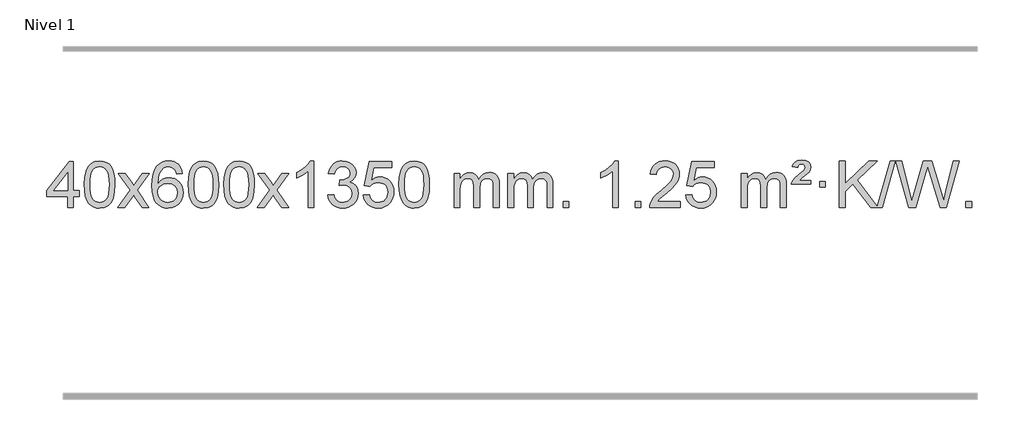
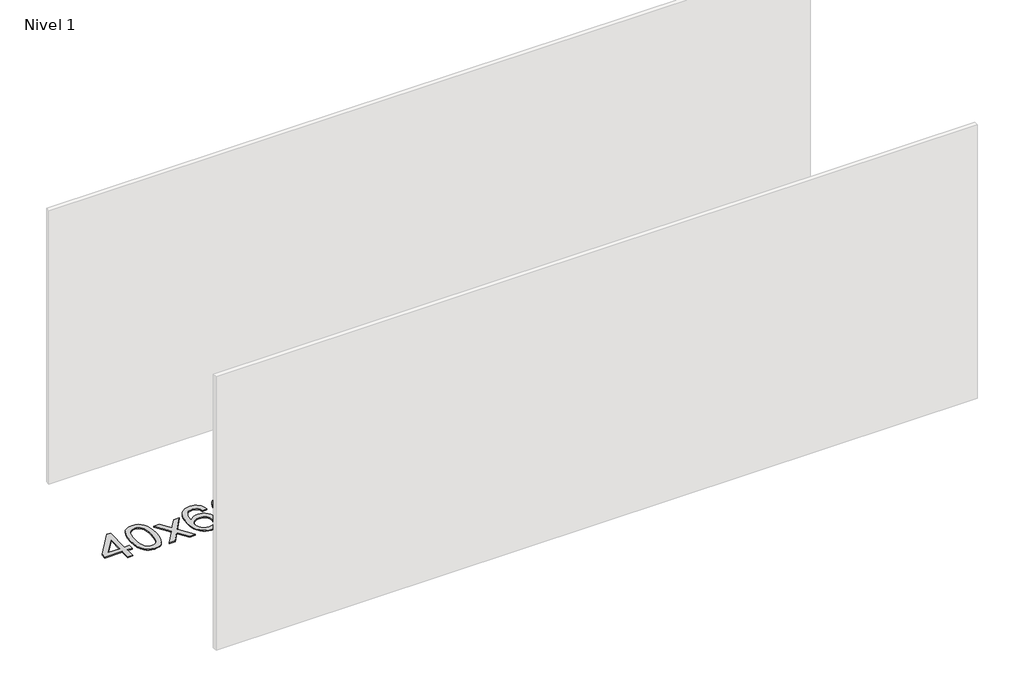
# One storey, part 10 of 10: 1 proxy.
"""IFC4 building model written with IfcOpenShell, lengths in millimetres."""

from ifc_helpers import new_model, si_unit, origin, origin_with_axes, place, context, project, spatial, polyline, outline, extrude, element, save

model = new_model("IFC4")

# Units and contexts
model_context = context("Model", 3, world=origin())
ifc_project = project(units=[si_unit("LENGTHUNIT", "METRE", prefix="MILLI")], contexts=[model_context])

# Site, building, storey
site = spatial("IfcSite", under=ifc_project)
building = spatial("IfcBuilding", under=site)
storey = spatial("IfcBuildingStorey", under=building, Name="Nivel 1", Elevation=0.0)

# Proxy
placement = place(None, origin())
element("IfcBuildingElementProxy", 1, Name="Texto de modelo 1", ObjectType="Texto de modelo 1", at=placement, inside=storey, context=model_context, shape_type="SweptSolid", body=[
    extrude(outline(polyline([(-192.9282065, 2608.420547), (-192.9282065, 2702.5983378), (-375.0052686, 2702.5983378), (-375.0052686, 2752.8264928), (-180.3711677, 3003.9672682), (-142.7000514, 3003.9672682), (-142.7000514, 2752.8264928), (-92.4718963, 2752.8264928), (-92.4718963, 2702.5983378), (-142.7000514, 2702.5983378), (-142.7000514, 2608.420547), (-192.9282065, 2608.420547)]), holes=[polyline([(-192.9282065, 2752.8264928), (-192.9282065, 2908.0236439), (-313.2010934, 2752.8264928), (-192.9282065, 2752.8264928)])]), origin_with_axes(), (0.0, 0.0, 1.0), 10.0),
    extrude(outline(polyline([(-48.5222606, 2806.0958057), (-44.8311779, 2870.4138412), (-33.7579299, 2921.7088541), (-15.4128811, 2960.7656593), (-3.5548181, 2975.9990395), (10.0936039, 2988.3690716), (25.5783702, 2997.9401349), (42.9454661, 3004.7766086), (83.3266464, 3010.2457876), (114.277785, 3007.008426), (141.9915619, 2997.2963414), (165.1681276, 2981.4896783), (182.5076323, 2959.9685816), (195.6042314, 2932.9169922), (206.05208, 2900.5188512), (212.8946851, 2859.3773814), (215.1755535, 2806.0958057), (211.521259, 2742.1456523), (200.5583756, 2690.9732667), (182.3236913, 2651.8796734), (170.4932195, 2636.6003078), (156.8539945, 2624.1658964), (141.3508341, 2614.5304538), (123.928556, 2607.6479948), (83.3266464, 2602.1420276), (55.6619204, 2604.5332606), (31.1364541, 2611.7069595), (9.7502474, 2623.6631243), (-8.4966996, 2640.4017551), (-26.0078825, 2670.6600492), (-38.5158704, 2708.3618224), (-46.0206631, 2753.5070745), (-48.5222606, 2806.0958057)]), holes=[polyline([(1.7058944, 2806.1939076), (3.1774224, 2762.5293805), (7.5920064, 2727.1851178), (14.9496463, 2700.1611196), (25.2503421, 2681.4573858), (37.709279, 2668.7317344), (51.5416421, 2659.6419835), (66.7474312, 2654.1881329), (83.3266464, 2652.3701827), (99.9058617, 2654.1942643), (115.1116508, 2659.6665089), (128.9440138, 2668.7869167), (141.4029507, 2681.5554876), (151.7036466, 2700.2898783), (159.0612865, 2727.3077451), (163.4758705, 2762.6090882), (164.9473984, 2806.1939076), (163.5249214, 2848.7026722), (159.2574902, 2883.4246011), (152.145105, 2910.3596945), (142.1877657, 2929.5079524), (129.9372952, 2942.8559375), (115.9455167, 2952.3902125), (100.21243, 2958.1107775), (82.7380352, 2960.0176325), (66.2446591, 2958.3376381), (51.2963874, 2953.2976548), (37.89322, 2944.8976825), (26.0351571, 2933.1377214), (15.3911047, 2912.291075), (7.7882101, 2884.1848906), (3.2264734, 2848.8191681), (1.7058944, 2806.1939076)])]), origin_with_axes(), (0.0, 0.0, 1.0), 10.0),
    extrude(outline(polyline([(240.2896311, 2608.420547), (347.6130718, 2756.7505675), (246.5681504, 2903.5109581), (306.9988995, 2903.5109581), (355.7555266, 2832.877615), (378.5151594, 2799.5229808), (398.2336343, 2826.7952993), (453.7592901, 2903.5109581), (514.1900392, 2903.5109581), (408.0438209, 2756.7505675), (510.2659646, 2608.420547), (449.8352155, 2608.420547), (388.3253459, 2697.5951426), (377.0436314, 2713.8800523), (300.7203801, 2608.420547), (240.2896311, 2608.420547)])), origin_with_axes(), (0.0, 0.0, 1.0), 10.0),
    extrude(outline(polyline([(799.0778563, 2903.5109581), (748.8497012, 2897.2324387), (740.7562973, 2922.125787), (729.8179393, 2939.1219352), (707.0337811, 2954.7937082), (679.4916824, 2960.0176325), (656.1434384, 2956.9764747), (634.1686206, 2947.8530012), (615.2962742, 2928.6372983), (599.8820186, 2902.1865829), (589.4709581, 2864.772984), (585.6081972, 2812.6686307), (605.7558678, 2836.1762902), (629.9011894, 2852.7432427), (656.6952614, 2862.565692), (684.7891831, 2865.8398418), (708.922242, 2863.601893), (731.1913654, 2856.8880466), (751.5965534, 2845.6983025), (770.137806, 2830.0326609), (785.5459302, 2810.8230894), (796.5517332, 2789.0015557), (803.155215, 2764.5680599), (805.3563756, 2737.5226018), (801.2115718, 2701.5560055), (788.7771604, 2668.213634), (769.0832109, 2639.9357713), (743.159793, 2619.1627013), (712.184129, 2606.397196), (677.3334413, 2602.1420276), (647.3909126, 2604.9624563), (620.3485203, 2613.4237421), (596.2062643, 2627.5258853), (574.9641448, 2647.2688857), (557.6460999, 2673.4866092), (545.2760678, 2707.0129217), (537.8540485, 2747.8478232), (535.3800421, 2795.9913136), (538.1268943, 2849.9657337), (546.367451, 2896.0306908), (560.1017122, 2934.1861851), (579.3296778, 2964.4322165), (600.1701928, 2984.4756538), (624.3339085, 2998.7923948), (651.820825, 3007.3824394), (682.6309421, 3010.2457876), (705.7645882, 3008.4738227), (726.7032051, 3003.1579278), (745.4467927, 2994.2981031), (761.9953511, 2981.8943485), (775.9012906, 2966.3635969), (786.7170212, 2948.1227814), (794.4425431, 2927.1719017), (799.0778563, 2903.5109581)]), holes=[polyline([(585.6081972, 2738.3074168), (588.514465, 2716.0505561), (597.2332682, 2694.7992395), (610.7713257, 2676.527767), (628.1353558, 2663.2104388), (649.0923668, 2655.0802467), (673.4093667, 2652.3701827), (706.5555345, 2657.9865145), (720.4706709, 2665.0069292), (732.6138425, 2674.8355099), (742.4638829, 2687.0737176), (749.499626, 2701.3230135), (755.1282206, 2735.8548701), (749.5732024, 2769.0010379), (742.6294298, 2782.6218688), (732.9081481, 2794.274531), (720.7281883, 2803.6095366), (706.4083817, 2810.2773978), (671.3492275, 2815.6116867), (638.2521107, 2810.2773978), (610.5751219, 2794.274531), (599.6520924, 2782.7751529), (591.8499284, 2769.6141746), (587.16863, 2754.7915958), (585.6081972, 2738.3074168)])]), origin_with_axes(), (0.0, 0.0, 1.0), 10.0),
    extrude(outline(polyline([(849.3060113, 2806.0958057), (852.997094, 2870.4138412), (864.0703421, 2921.7088541), (882.4153909, 2960.7656593), (894.2734539, 2975.9990395), (907.9218759, 2988.3690716), (923.4066422, 2997.9401349), (940.7737381, 3004.7766086), (981.1549184, 3010.2457876), (1012.1060569, 3007.008426), (1039.8198339, 2997.2963414), (1062.9963996, 2981.4896783), (1080.3359043, 2959.9685816), (1093.4325033, 2932.9169922), (1103.880352, 2900.5188512), (1110.7229571, 2859.3773814), (1113.0038255, 2806.0958057), (1109.349531, 2742.1456523), (1098.3866475, 2690.9732667), (1080.1519633, 2651.8796734), (1068.3214915, 2636.6003078), (1054.6822665, 2624.1658964), (1039.1791061, 2614.5304538), (1021.7568279, 2607.6479948), (981.1549184, 2602.1420276), (953.4901924, 2604.5332606), (928.964726, 2611.7069595), (907.5785194, 2623.6631243), (889.3315724, 2640.4017551), (871.8203894, 2670.6600492), (859.3124016, 2708.3618224), (851.8076089, 2753.5070745), (849.3060113, 2806.0958057)]), holes=[polyline([(899.5341664, 2806.1939076), (901.0056944, 2762.5293805), (905.4202783, 2727.1851178), (912.7779182, 2700.1611196), (923.0786141, 2681.4573858), (935.537551, 2668.7317344), (949.369914, 2659.6419835), (964.5757032, 2654.1881329), (981.1549184, 2652.3701827), (997.7341337, 2654.1942643), (1012.9399228, 2659.6665089), (1026.7722858, 2668.7869167), (1039.2312227, 2681.5554876), (1049.5319186, 2700.2898783), (1056.8895585, 2727.3077451), (1061.3041424, 2762.6090882), (1062.7756704, 2806.1939076), (1061.3531934, 2848.7026722), (1057.0857622, 2883.4246011), (1049.973377, 2910.3596945), (1040.0160376, 2929.5079524), (1027.7655672, 2942.8559375), (1013.7737886, 2952.3902125), (998.040702, 2958.1107775), (980.5663072, 2960.0176325), (964.0729311, 2958.3376381), (949.1246594, 2953.2976548), (935.721492, 2944.8976825), (923.863429, 2933.1377214), (913.2193766, 2912.291075), (905.6164821, 2884.1848906), (901.0547453, 2848.8191681), (899.5341664, 2806.1939076)])]), origin_with_axes(), (0.0, 0.0, 1.0), 10.0),
    extrude(outline(polyline([(1156.9534612, 2806.0958057), (1160.6445439, 2870.4138412), (1171.7177919, 2921.7088541), (1190.0628407, 2960.7656593), (1201.9209037, 2975.9990395), (1215.5693257, 2988.3690716), (1231.054092, 2997.9401349), (1248.4211879, 3004.7766086), (1288.8023682, 3010.2457876), (1319.7535068, 3007.008426), (1347.4672837, 2997.2963414), (1370.6438494, 2981.4896783), (1387.9833541, 2959.9685816), (1401.0799532, 2932.9169922), (1411.5278018, 2900.5188512), (1418.3704069, 2859.3773814), (1420.6512753, 2806.0958057), (1416.9969808, 2742.1456523), (1406.0340974, 2690.9732667), (1387.7994131, 2651.8796734), (1375.9689413, 2636.6003078), (1362.3297163, 2624.1658964), (1346.8265559, 2614.5304538), (1329.4042778, 2607.6479948), (1288.8023682, 2602.1420276), (1261.1376422, 2604.5332606), (1236.6121759, 2611.7069595), (1215.2259692, 2623.6631243), (1196.9790222, 2640.4017551), (1179.4678393, 2670.6600492), (1166.9598514, 2708.3618224), (1159.4550587, 2753.5070745), (1156.9534612, 2806.0958057)]), holes=[polyline([(1207.1816162, 2806.1939076), (1208.6531442, 2762.5293805), (1213.0677282, 2727.1851178), (1220.4253681, 2700.1611196), (1230.7260639, 2681.4573858), (1243.1850008, 2668.7317344), (1257.0173639, 2659.6419835), (1272.223153, 2654.1881329), (1288.8023682, 2652.3701827), (1305.3815835, 2654.1942643), (1320.5873726, 2659.6665089), (1334.4197356, 2668.7869167), (1346.8786725, 2681.5554876), (1357.1793684, 2700.2898783), (1364.5370083, 2727.3077451), (1368.9515923, 2762.6090882), (1370.4231202, 2806.1939076), (1369.0006432, 2848.7026722), (1364.733212, 2883.4246011), (1357.6208268, 2910.3596945), (1347.6634875, 2929.5079524), (1335.413017, 2942.8559375), (1321.4212385, 2952.3902125), (1305.6881518, 2958.1107775), (1288.213757, 2960.0176325), (1271.7203809, 2958.3376381), (1256.7721092, 2953.2976548), (1243.3689418, 2944.8976825), (1231.5108789, 2933.1377214), (1220.8668265, 2912.291075), (1213.2639319, 2884.1848906), (1208.7021952, 2848.8191681), (1207.1816162, 2806.1939076)])]), origin_with_axes(), (0.0, 0.0, 1.0), 10.0),
    extrude(outline(polyline([(1445.7653528, 2608.420547), (1553.0887936, 2756.7505675), (1452.0438722, 2903.5109581), (1512.4746213, 2903.5109581), (1561.2312484, 2832.877615), (1583.9908812, 2799.5229808), (1603.7093561, 2826.7952993), (1659.2350119, 2903.5109581), (1719.665761, 2903.5109581), (1613.5195426, 2756.7505675), (1715.7416864, 2608.420547), (1655.3109373, 2608.420547), (1593.8010677, 2697.5951426), (1582.5193532, 2713.8800523), (1506.1961019, 2608.420547), (1445.7653528, 2608.420547)])), origin_with_axes(), (0.0, 0.0, 1.0), 10.0),
    extrude(outline(polyline([(1935.4898648, 2608.420547), (1885.2617098, 2608.420547), (1885.2617098, 2921.5617013), (1864.292436, 2904.6023413), (1837.682305, 2887.6675068), (1784.8053996, 2862.3081746), (1784.8053996, 2909.7894775), (1824.2546122, 2931.2492605), (1858.4308496, 2956.780271), (1885.3720743, 2983.9299622), (1903.1162492, 3010.2457876), (1935.4898648, 3010.2457876), (1935.4898648, 2608.420547)])), origin_with_axes(), (0.0, 0.0, 1.0), 10.0),
    extrude(outline(polyline([(2054.7817331, 2715.1553765), (2105.0098882, 2721.4338959), (2116.2548145, 2689.8696207), (2132.7236652, 2668.5569905), (2155.2257805, 2656.4168846), (2184.570501, 2652.3701827), (2219.0042558, 2657.9374636), (2233.2780772, 2664.8965646), (2245.5898613, 2674.6393061), (2262.5860095, 2699.5571799), (2268.2513922, 2729.7725545), (2262.6350604, 2758.4550874), (2245.786065, 2781.7174922), (2220.27958, 2797.1317478), (2188.6907794, 2802.269833), (2153.4722097, 2796.7761285), (2159.064016, 2847.0042836), (2167.108369, 2846.4156724), (2197.2011162, 2850.020916), (2224.1055528, 2860.8366466), (2235.1788008, 2869.0158897), (2243.0882637, 2879.1326445), (2247.8339415, 2891.1869112), (2249.415834, 2905.1786898), (2244.8295718, 2926.8714648), (2231.0707852, 2944.4684869), (2210.076986, 2956.1303461), (2183.7856861, 2960.0176325), (2157.4453352, 2956.0935579), (2135.9119758, 2944.3213341), (2120.1911519, 2924.700961), (2111.2884076, 2897.2324387), (2061.0602525, 2903.5109581), (2067.0138095, 2927.4907328), (2075.8491087, 2948.6132907), (2087.5661503, 2966.8786317), (2102.1649341, 2982.286756), (2119.1856078, 2994.5188323), (2138.1683187, 3003.2560297), (2159.113067, 3008.4983481), (2182.0198525, 3010.2457876), (2213.5963904, 3006.7999596), (2242.5977544, 2996.4624755), (2267.0496443, 2980.1530404), (2284.9777602, 2958.7913592), (2295.9774319, 2934.1800537), (2299.6439891, 2908.1217457), (2296.1613729, 2883.8415341), (2285.7135242, 2861.8176653), (2268.4475959, 2843.0556835), (2244.5107408, 2828.5611329), (2275.9523886, 2815.8569414), (2299.2515817, 2794.22548), (2313.6725559, 2764.8439714), (2318.4795473, 2728.8896377), (2316.0760516, 2703.4076782), (2308.8655645, 2679.9368069), (2296.848086, 2658.4770238), (2280.023616, 2639.028329), (2259.5264575, 2622.8905722), (2236.4909133, 2611.363603), (2210.9169832, 2604.4474215), (2182.8046674, 2602.1420276), (2157.3962843, 2604.1101963), (2134.2442441, 2610.0147023), (2113.3485468, 2619.8555457), (2094.7091923, 2633.6327264), (2079.0803389, 2650.5369041), (2067.2161446, 2669.7587383), (2059.1166093, 2691.2982292), (2054.7817331, 2715.1553765)])), origin_with_axes(), (0.0, 0.0, 1.0), 10.0),
    extrude(outline(polyline([(2362.429183, 2715.1553765), (2412.657338, 2721.4338959), (2421.8789134, 2691.2798351), (2437.9676193, 2669.6851619), (2460.8498794, 2656.6989275), (2490.4521173, 2652.3701827), (2509.581981, 2653.8754332), (2526.4555019, 2658.3911847), (2541.0726798, 2665.9174372), (2553.4335149, 2676.4541906), (2563.2620955, 2689.480279), (2570.2825102, 2704.4745359), (2575.898842, 2740.3675559), (2570.6381295, 2774.1636486), (2564.0622388, 2788.0818507), (2554.8559919, 2800.0134901), (2542.9887319, 2809.5845533), (2528.4298019, 2816.4210271), (2491.2369322, 2821.8902061), (2466.8708814, 2819.7074396), (2447.1401437, 2813.1591401), (2431.3825316, 2803.1282243), (2418.9358574, 2790.4976092), (2368.7077023, 2796.7761285), (2412.657338, 3003.9672682), (2607.291439, 3003.9672682), (2607.291439, 2953.7391131), (2453.2715103, 2953.7391131), (2431.7872018, 2843.080209), (2449.5129826, 2855.7844006), (2467.667959, 2864.8588231), (2486.2521312, 2870.3034766), (2505.265499, 2872.1183612), (2529.726586, 2869.8681496), (2552.1949788, 2863.117515), (2572.6706775, 2851.8664573), (2591.1536821, 2836.1149766), (2606.4545074, 2816.8256973), (2617.3836684, 2794.961244), (2623.9411649, 2770.5216168), (2626.1269971, 2743.5068156), (2624.1588284, 2717.4852958), (2618.2543224, 2693.2786606), (2608.413479, 2670.8869098), (2594.6362983, 2650.3100435), (2573.7651265, 2629.2365366), (2549.4113384, 2614.1840316), (2521.5749341, 2605.1525286), (2490.2559136, 2602.1420276), (2464.3355613, 2604.0764738), (2440.922938, 2609.8798123), (2420.0180436, 2619.552043), (2401.6208782, 2633.0931662), (2386.3139215, 2649.8287312), (2374.6796534, 2669.084288), (2366.7180739, 2690.8598364), (2362.429183, 2715.1553765)])), origin_with_axes(), (0.0, 0.0, 1.0), 10.0),
    extrude(outline(polyline([(2670.0766328, 2806.0958057), (2673.7677155, 2870.4138412), (2684.8409635, 2921.7088541), (2703.1860124, 2960.7656593), (2715.0440753, 2975.9990395), (2728.6924974, 2988.3690716), (2744.1772637, 2997.9401349), (2761.5443595, 3004.7766086), (2801.9255399, 3010.2457876), (2832.8766784, 3007.008426), (2860.5904554, 2997.2963414), (2883.7670211, 2981.4896783), (2901.1065258, 2959.9685816), (2914.2031248, 2932.9169922), (2924.6509735, 2900.5188512), (2931.4935786, 2859.3773814), (2933.7744469, 2806.0958057), (2930.1201525, 2742.1456523), (2919.157269, 2690.9732667), (2900.9225848, 2651.8796734), (2889.0921129, 2636.6003078), (2875.452888, 2624.1658964), (2859.9497276, 2614.5304538), (2842.5274494, 2607.6479948), (2801.9255399, 2602.1420276), (2774.2608138, 2604.5332606), (2749.7353475, 2611.7069595), (2728.3491408, 2623.6631243), (2710.1021939, 2640.4017551), (2692.5910109, 2670.6600492), (2680.0830231, 2708.3618224), (2672.5782304, 2753.5070745), (2670.0766328, 2806.0958057)]), holes=[polyline([(2720.3047879, 2806.1939076), (2721.7763158, 2762.5293805), (2726.1908998, 2727.1851178), (2733.5485397, 2700.1611196), (2743.8492356, 2681.4573858), (2756.3081725, 2668.7317344), (2770.1405355, 2659.6419835), (2785.3463246, 2654.1881329), (2801.9255399, 2652.3701827), (2818.5047551, 2654.1942643), (2833.7105442, 2659.6665089), (2847.5429073, 2668.7869167), (2860.0018442, 2681.5554876), (2870.30254, 2700.2898783), (2877.6601799, 2727.3077451), (2882.0747639, 2762.6090882), (2883.5462919, 2806.1939076), (2882.1238148, 2848.7026722), (2877.8563837, 2883.4246011), (2870.7439984, 2910.3596945), (2860.7866591, 2929.5079524), (2848.5361887, 2942.8559375), (2834.5444101, 2952.3902125), (2818.8113234, 2958.1107775), (2801.3369287, 2960.0176325), (2784.8435526, 2958.3376381), (2769.8952808, 2953.2976548), (2756.4921135, 2944.8976825), (2744.6340505, 2933.1377214), (2733.9899981, 2912.291075), (2726.3871035, 2884.1848906), (2721.8253668, 2848.8191681), (2720.3047879, 2806.1939076)])]), origin_with_axes(), (0.0, 0.0, 1.0), 10.0),
    extrude(outline(polyline([(3147.244106, 2608.420547), (3147.244106, 2903.5109581), (3197.4722611, 2903.5109581), (3197.4722611, 2854.9505347), (3212.5799483, 2877.2564463), (3232.0041177, 2894.7308411), (3255.0825815, 2906.0248184), (3281.1531522, 2909.7894775), (3309.0876584, 2905.951242), (3331.4794092, 2894.4365355), (3348.2057772, 2876.0056476), (3359.1441352, 2851.4188676), (3377.4523959, 2876.9560094), (3398.3358304, 2895.196825), (3421.794439, 2906.1413143), (3447.8282215, 2909.7894775), (3467.9360383, 2908.2719642), (3485.585177, 2903.7194245), (3500.7756377, 2896.1318584), (3513.5074204, 2885.5092658), (3523.5720587, 2871.7290194), (3530.761086, 2854.6684918), (3535.0745024, 2834.3276832), (3536.5123078, 2810.7065934), (3536.5123078, 2608.420547), (3486.2841528, 2608.420547), (3486.2841528, 2789.124183), (3485.1191931, 2814.1769469), (3481.6243142, 2831.0627305), (3475.0760146, 2842.6264879), (3464.7507933, 2851.7131732), (3451.4702533, 2857.5992851), (3436.0559977, 2859.5613224), (3408.8449928, 2854.5336018), (3386.6617085, 2839.45044), (3378.0563355, 2827.8805512), (3371.9096405, 2813.2817674), (3366.9922845, 2774.9975144), (3366.9922845, 2608.420547), (3316.7641294, 2608.420547), (3316.7641294, 2794.7159894), (3313.8578616, 2823.1164794), (3305.1390583, 2843.3745146), (3289.7983791, 2855.5146204), (3267.0264836, 2859.5613224), (3247.6758907, 2856.8635211), (3229.8458767, 2848.7701172), (3215.1305968, 2835.4773144), (3205.1242066, 2817.1813165), (3199.3852475, 2791.7974589), (3197.4722611, 2757.2410768), (3197.4722611, 2608.420547), (3147.244106, 2608.420547)])), origin_with_axes(), (0.0, 0.0, 1.0), 10.0),
    extrude(outline(polyline([(3611.8545404, 2608.420547), (3611.8545404, 2903.5109581), (3662.0826955, 2903.5109581), (3662.0826955, 2854.9505347), (3677.1903828, 2877.2564463), (3696.6145521, 2894.7308411), (3719.693016, 2906.0248184), (3745.7635867, 2909.7894775), (3773.6980929, 2905.951242), (3796.0898436, 2894.4365355), (3812.8162117, 2876.0056476), (3823.7545697, 2851.4188676), (3842.0628303, 2876.9560094), (3862.9462649, 2895.196825), (3886.4048734, 2906.1413143), (3912.438656, 2909.7894775), (3932.5464727, 2908.2719642), (3950.1956114, 2903.7194245), (3965.3860721, 2896.1318584), (3978.1178548, 2885.5092658), (3988.1824931, 2871.7290194), (3995.3715204, 2854.6684918), (3999.6849368, 2834.3276832), (4001.1227423, 2810.7065934), (4001.1227423, 2608.420547), (3950.8945872, 2608.420547), (3950.8945872, 2789.124183), (3949.7296276, 2814.1769469), (3946.2347486, 2831.0627305), (3939.6864491, 2842.6264879), (3929.3612278, 2851.7131732), (3916.0806877, 2857.5992851), (3900.6664321, 2859.5613224), (3873.4554272, 2854.5336018), (3851.2721429, 2839.45044), (3842.6667699, 2827.8805512), (3836.5200749, 2813.2817674), (3831.6027189, 2774.9975144), (3831.6027189, 2608.420547), (3781.3745638, 2608.420547), (3781.3745638, 2794.7159894), (3778.4682961, 2823.1164794), (3769.7494928, 2843.3745146), (3754.4088136, 2855.5146204), (3731.6369181, 2859.5613224), (3712.2863251, 2856.8635211), (3694.4563111, 2848.7701172), (3679.7410313, 2835.4773144), (3669.734641, 2817.1813165), (3663.9956819, 2791.7974589), (3662.0826955, 2757.2410768), (3662.0826955, 2608.420547), (3611.8545404, 2608.420547)])), origin_with_axes(), (0.0, 0.0, 1.0), 10.0),
    extrude(outline(polyline([(4089.0220137, 2608.420547), (4089.0220137, 2658.6487021), (4139.2501687, 2658.6487021), (4139.2501687, 2608.420547), (4089.0220137, 2608.420547)])), origin_with_axes(), (0.0, 0.0, 1.0), 10.0),
    extrude(outline(polyline([(4566.1894869, 2608.420547), (4515.9613318, 2608.420547), (4515.9613318, 2921.5617013), (4494.9920581, 2904.6023413), (4468.3819271, 2887.6675068), (4415.5050216, 2862.3081746), (4415.5050216, 2909.7894775), (4454.9542343, 2931.2492605), (4489.1304716, 2956.780271), (4516.0716964, 2983.9299622), (4533.8158713, 3010.2457876), (4566.1894869, 3010.2457876), (4566.1894869, 2608.420547)])), origin_with_axes(), (0.0, 0.0, 1.0), 10.0),
    extrude(outline(polyline([(4710.5954327, 2608.420547), (4710.5954327, 2658.6487021), (4760.8235878, 2658.6487021), (4760.8235878, 2608.420547), (4710.5954327, 2608.420547)])), origin_with_axes(), (0.0, 0.0, 1.0), 10.0),
    extrude(outline(polyline([(5099.8636345, 2658.6487021), (5099.8636345, 2608.420547), (4836.1658204, 2608.420547), (4837.2694664, 2626.1034082), (4841.561423, 2643.0505055), (4853.9467835, 2670.1143576), (4872.0711031, 2696.3688693), (4898.2888266, 2723.8496544), (4934.9543988, 2754.5923264), (4989.1556795, 2802.7358169), (5021.6764478, 2838.2732176), (5037.936832, 2867.115166), (5043.3569601, 2895.1722995), (5038.2434003, 2920.3231653), (5022.9027211, 2941.2311253), (4999.3214853, 2955.3210057), (4969.4862554, 2960.0176325), (4938.1549722, 2955.4313703), (4913.8134468, 2941.6725837), (4898.1048856, 2919.8203932), (4892.6724949, 2890.9539193), (4842.4443398, 2897.2324387), (4846.7638875, 2923.161988), (4854.6212338, 2945.8173875), (4866.0163786, 2965.1986373), (4880.9493219, 2981.3057373), (4899.0767073, 2993.9670093), (4920.055178, 3003.010775), (4943.8847343, 3008.4370345), (4970.565376, 3010.2457876), (4997.485141, 3008.2346994), (5021.4434559, 3002.2014346), (5042.4403208, 2992.1459934), (5060.4757356, 2978.0683758), (5074.9610891, 2961.0109139), (5085.3077703, 2942.0159402), (5091.5157789, 2921.0834547), (5093.5851152, 2898.2134573), (5091.3532977, 2874.1907631), (5084.6578454, 2850.5850017), (5072.775257, 2826.5745701), (5054.9820311, 2801.3378653), (5026.6183293, 2771.2083299), (4983.0243129, 2732.5194067), (4925.2423142, 2684.204238), (4902.5807833, 2658.6487021), (5099.8636345, 2658.6487021)])), origin_with_axes(), (0.0, 0.0, 1.0), 10.0),
    extrude(outline(polyline([(5150.0917896, 2715.1553765), (5200.3199447, 2721.4338959), (5209.54152, 2691.2798351), (5225.630226, 2669.6851619), (5248.5124861, 2656.6989275), (5278.1147239, 2652.3701827), (5297.2445877, 2653.8754332), (5314.1181085, 2658.3911847), (5328.7352865, 2665.9174372), (5341.0961215, 2676.4541906), (5350.9247021, 2689.480279), (5357.9451169, 2704.4745359), (5363.5614487, 2740.3675559), (5358.3007361, 2774.1636486), (5351.7248455, 2788.0818507), (5342.5185986, 2800.0134901), (5330.6513385, 2809.5845533), (5316.0924086, 2816.4210271), (5278.8995389, 2821.8902061), (5254.533488, 2819.7074396), (5234.8027504, 2813.1591401), (5219.0451382, 2803.1282243), (5206.5984641, 2790.4976092), (5156.370309, 2796.7761285), (5200.3199447, 3003.9672682), (5394.9540456, 3003.9672682), (5394.9540456, 2953.7391131), (5240.934117, 2953.7391131), (5219.4498084, 2843.080209), (5237.1755892, 2855.7844006), (5255.3305657, 2864.8588231), (5273.9147378, 2870.3034766), (5292.9281056, 2872.1183612), (5317.3891926, 2869.8681496), (5339.8575855, 2863.117515), (5360.3332842, 2851.8664573), (5378.8162887, 2836.1149766), (5394.1171141, 2816.8256973), (5405.046275, 2794.961244), (5411.6037716, 2770.5216168), (5413.7896038, 2743.5068156), (5411.8214351, 2717.4852958), (5405.9169291, 2693.2786606), (5396.0760857, 2670.8869098), (5382.298905, 2650.3100435), (5361.4277331, 2629.2365366), (5337.073945, 2614.1840316), (5309.2375407, 2605.1525286), (5277.9185202, 2602.1420276), (5251.998168, 2604.0764738), (5228.5855447, 2609.8798123), (5207.6806503, 2619.552043), (5189.2834848, 2633.0931662), (5173.9765281, 2649.8287312), (5162.3422601, 2669.084288), (5154.3806805, 2690.8598364), (5150.0917896, 2715.1553765)])), origin_with_axes(), (0.0, 0.0, 1.0), 10.0),
    extrude(outline(polyline([(5627.2592628, 2608.420547), (5627.2592628, 2903.5109581), (5677.4874179, 2903.5109581), (5677.4874179, 2854.9505347), (5692.5951052, 2877.2564463), (5712.0192745, 2894.7308411), (5735.0977383, 2906.0248184), (5761.1683091, 2909.7894775), (5789.1028152, 2905.951242), (5811.494566, 2894.4365355), (5828.2209341, 2876.0056476), (5839.159292, 2851.4188676), (5857.4675527, 2876.9560094), (5878.3509873, 2895.196825), (5901.8095958, 2906.1413143), (5927.8433783, 2909.7894775), (5947.9511951, 2908.2719642), (5965.6003338, 2903.7194245), (5980.7907945, 2896.1318584), (5993.5225772, 2885.5092658), (6003.5872155, 2871.7290194), (6010.7762428, 2854.6684918), (6015.0896592, 2834.3276832), (6016.5274647, 2810.7065934), (6016.5274647, 2608.420547), (5966.2993096, 2608.420547), (5966.2993096, 2789.124183), (5965.1343499, 2814.1769469), (5961.639471, 2831.0627305), (5955.0911715, 2842.6264879), (5944.7659501, 2851.7131732), (5931.4854101, 2857.5992851), (5916.0711545, 2859.5613224), (5888.8601496, 2854.5336018), (5866.6768653, 2839.45044), (5858.0714923, 2827.8805512), (5851.9247973, 2813.2817674), (5847.0074413, 2774.9975144), (5847.0074413, 2608.420547), (5796.7792862, 2608.420547), (5796.7792862, 2794.7159894), (5793.8730184, 2823.1164794), (5785.1542152, 2843.3745146), (5769.813536, 2855.5146204), (5747.0416405, 2859.5613224), (5727.6910475, 2856.8635211), (5709.8610335, 2848.7701172), (5695.1457537, 2835.4773144), (5685.1393634, 2817.1813165), (5679.4004043, 2791.7974589), (5677.4874179, 2757.2410768), (5677.4874179, 2608.420547), (5627.2592628, 2608.420547)])), origin_with_axes(), (0.0, 0.0, 1.0), 10.0),
    extrude(outline(polyline([(6060.4771003, 2809.3331673), (6064.3030731, 2825.1520931), (6072.6417317, 2841.0200698), (6094.1505656, 2866.1586728), (6126.1072483, 2893.8969753), (6170.2530877, 2931.273786), (6177.3899984, 2942.8007552), (6179.7689686, 2954.6220299), (6177.8805077, 2966.7130848), (6172.215125, 2976.4987459), (6162.8463969, 2982.973469), (6149.8478997, 2985.1317101), (6137.4134883, 2983.5130293), (6128.5597949, 2978.656987), (6122.1341227, 2969.1901569), (6116.9837748, 2953.7391131), (6066.7556197, 2960.0176325), (6077.5958759, 2985.2298119), (6094.224142, 3002.7900458), (6117.9893189, 3013.0907417), (6150.2403072, 3016.524307), (6186.0229626, 3012.3917659), (6210.7691581, 2999.9941427), (6225.1901323, 2981.6613566), (6229.9971237, 2959.7233269), (6225.9013708, 2936.8165414), (6213.6141122, 2915.1850801), (6193.0862969, 2895.3685032), (6156.6169284, 2867.3113697), (6131.0123416, 2840.7257642), (6229.9971237, 2840.7257642), (6229.9971237, 2809.3331673), (6060.4771003, 2809.3331673)])), origin_with_axes(), (0.0, 0.0, 1.0), 10.0),
    extrude(outline(polyline([(6305.3393563, 2784.2190898), (6305.3393563, 2834.4472448), (6355.5675114, 2834.4472448), (6355.5675114, 2784.2190898), (6305.3393563, 2784.2190898)])), origin_with_axes(), (0.0, 0.0, 1.0), 10.0),
    extrude(outline(polyline([(6746.2091394, 2608.420547), (6592.7778219, 2811.0990009), (6525.0875348, 2746.5479735), (6525.0875348, 2608.420547), (6474.8593797, 2608.420547), (6474.8593797, 3010.2457876), (6525.0875348, 3010.2457876), (6525.0875348, 2813.5515475), (6731.1014521, 3010.2457876), (6801.3423877, 3010.2457876), (6628.388799, 2845.0422463), (6803.0424089, 2614.4650668), (6914.3557366, 3010.2457876), (6959.6787984, 3010.2457876), (6846.6654495, 2608.420547), (6807.6209071, 2608.420547), (6801.3423877, 2608.420547), (6746.2091394, 2608.420547)])), origin_with_axes(), (0.0, 0.0, 1.0), 10.0),
    extrude(outline(polyline([(7074.1636753, 2608.420547), (6964.5838917, 3010.2457876), (7016.3816766, 3010.2457876), (7079.9516854, 2746.155566), (7099.5720585, 2664.6329159), (7120.5658576, 2736.7377869), (7200.2245723, 3010.2457876), (7274.8800919, 3010.2457876), (7332.7601925, 2811.9819177), (7357.5554389, 2738.4055186), (7375.8269114, 2664.6329159), (7394.8586732, 2743.8011212), (7459.0172932, 3010.2457876), (7510.8150781, 3010.2457876), (7401.1371926, 2608.420547), (7347.4754723, 2608.420547), (7251.1394405, 2918.4224416), (7237.6994849, 2961.6853642), (7222.5917976, 2909.5932737), (7134.7906281, 2608.420547), (7074.1636753, 2608.420547)])), origin_with_axes(), (0.0, 0.0, 1.0), 10.0),
    extrude(outline(polyline([(7567.3217526, 2608.420547), (7567.3217526, 2658.6487021), (7617.5499077, 2658.6487021), (7617.5499077, 2608.420547), (7567.3217526, 2608.420547)])), origin_with_axes(), (0.0, 0.0, 1.0), 10.0),
])

save(model, "model.ifc")
